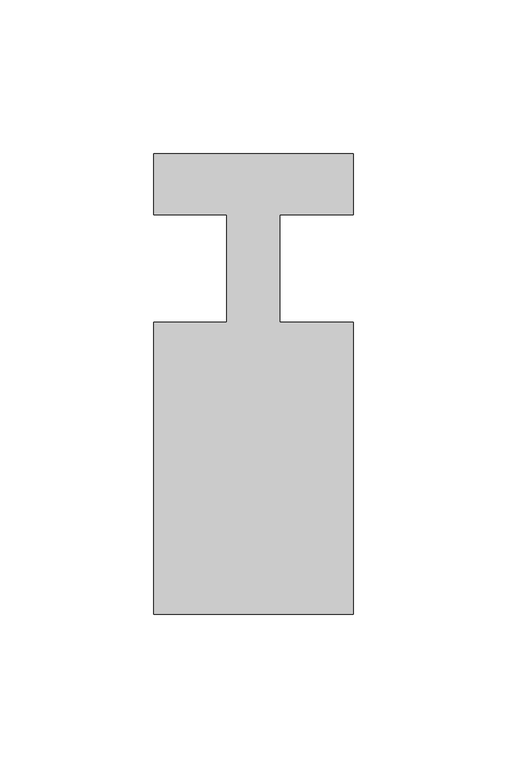
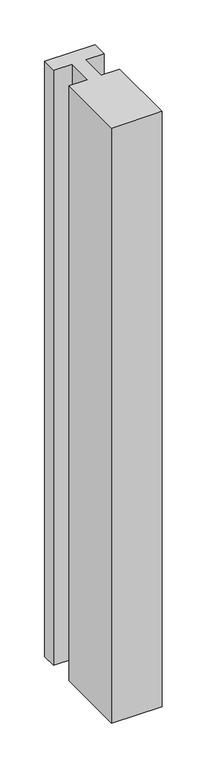
"""IFC4 building model written with IfcOpenShell, lengths in millimetres: member geometry."""

import ifcopenshell
import ifcopenshell.guid

model = None  # the IFC model being written
_history = None  # IfcOwnerHistory: only IFC2X3 demands one
_inside = {}  # id of a spatial element -> (the spatial element, [elements in it])
_under = {}  # id of a project, library or spatial element -> (it, [spatial elements below it])
_declared = {}  # id of a project -> (the project, [libraries it declares])
_typed = {}  # id of a type object -> (the type object, [elements of that type])
_made_of = {}  # id of a material, layer set ... -> (it, [elements and type objects made of it])


def new_model(schema):
    """Start an empty IFC model of exactly this schema.

    Asked for "IFC4X3", IfcOpenShell would pick the latest addendum, in which some entities
    have other attributes; the version numbers below select the first issue.
    IFC2X3 requires an IfcOwnerHistory on every rooted entity: one is made here for all.
    """
    global model, _history
    if schema == "IFC4X3":
        model = ifcopenshell.file(schema_version=(4, 3, 0, 0))
    else:
        model = ifcopenshell.file(schema=schema)
    _inside.clear()
    _under.clear()
    _declared.clear()
    _typed.clear()
    _made_of.clear()
    _history = None
    if model.schema == "IFC2X3":
        org = make("IfcOrganization", Name="unknown")
        user = make(
            "IfcPersonAndOrganization",
            ThePerson=make("IfcPerson", FamilyName="unknown"),
            TheOrganization=org,
        )
        app = make(
            "IfcApplication",
            ApplicationDeveloper=org,
            Version="unknown",
            ApplicationFullName="unknown",
            ApplicationIdentifier="unknown",
        )
        _history = make(
            "IfcOwnerHistory",
            OwningUser=user,
            OwningApplication=app,
            ChangeAction="ADDED",
            CreationDate=0,
        )
    return model


def make(cls, **values):
    """One entity of the class cls with the attributes given. An attribute that is None is left unset."""
    return model.create_entity(
        cls, **{name: value for name, value in values.items() if value is not None}
    )


def rooted(cls, **values):
    """An entity with a GlobalId (a new one), such as an element, a storey or a relation."""
    return make(cls, GlobalId=ifcopenshell.guid.new(), OwnerHistory=_history, **values)


def si_unit(unit_type, name, prefix=None):
    """IfcSIUnit, for example si_unit("LENGTHUNIT", "METRE", prefix="MILLI")."""
    return make("IfcSIUnit", UnitType=unit_type, Prefix=prefix, Name=name)


def assignment(units):
    """IfcUnitAssignment: the units of a project."""
    return None if units is None else make("IfcUnitAssignment", Units=units)


def point(xyz):
    """IfcCartesianPoint."""
    return None if xyz is None else make("IfcCartesianPoint", Coordinates=xyz)


def direction(xyz):
    """IfcDirection."""
    return None if xyz is None else make("IfcDirection", DirectionRatios=xyz)


def frame(location, z_axis=None, x_axis=None):
    """IfcAxis2Placement3D, a coordinate frame: its origin and axes. An axis left out is left unset."""
    return make(
        "IfcAxis2Placement3D",
        Location=point(location),
        Axis=direction(z_axis),
        RefDirection=direction(x_axis),
    )


def origin():
    """The frame at (0, 0, 0) with its axes left unset."""
    return frame((0.0, 0.0, 0.0))


def place(relative_to, where):
    """IfcLocalPlacement: puts the frame where relative to a parent placement (None: the world)."""
    return make(
        "IfcLocalPlacement", PlacementRelTo=relative_to, RelativePlacement=where
    )


def context(
    kind, dimensions, precision=None, world=None, true_north=None, identifier=None
):
    """IfcGeometricRepresentationContext, for example the 3D "Model" context."""
    return make(
        "IfcGeometricRepresentationContext",
        ContextIdentifier=identifier,
        ContextType=kind,
        CoordinateSpaceDimension=dimensions,
        Precision=precision,
        WorldCoordinateSystem=world,
        TrueNorth=true_north,
    )


def project(units=None, contexts=None):
    """IfcProject with its units and contexts."""
    return rooted(
        "IfcProject",
        Name="project",
        RepresentationContexts=contexts,
        UnitsInContext=assignment(units),
    )


def spatial(cls, under=None, at=None, **own):
    """A site, building, storey or space (cls), placed at a placement, below another one or the project."""
    s = rooted(cls, ObjectPlacement=at, **own)
    if under is not None:
        _under.setdefault(under.id(), (under, []))[1].append(s)
    return s


def polyline(points):
    """IfcPolyline through the points."""
    return make("IfcPolyline", Points=[point(p) for p in points])


def outline(outer, holes=None, kind="AREA"):
    """IfcArbitraryClosedProfileDef: a profile drawn as a closed curve; with holes, ...WithVoids."""
    if holes is None:
        return make("IfcArbitraryClosedProfileDef", ProfileType=kind, OuterCurve=outer)
    return make(
        "IfcArbitraryProfileDefWithVoids",
        ProfileType=kind,
        OuterCurve=outer,
        InnerCurves=holes,
    )


def extrude(swept, where, along, depth):
    """IfcExtrudedAreaSolid: the profile swept, set in the frame where, extruded along a direction by depth."""
    return make(
        "IfcExtrudedAreaSolid",
        SweptArea=swept,
        Position=where,
        ExtrudedDirection=direction(along),
        Depth=depth,
    )


def shape(context_of_items, identifier, shape_type, items):
    """IfcShapeRepresentation: the items that make up one representation, for example the "Body"."""
    return make(
        "IfcShapeRepresentation",
        ContextOfItems=context_of_items,
        RepresentationIdentifier=identifier,
        RepresentationType=shape_type,
        Items=items,
    )


def source(mapping_origin, context_of_items, identifier, shape_type, items):
    """IfcRepresentationMap: a shape defined once, which mapped items show again and again."""
    return make(
        "IfcRepresentationMap",
        MappingOrigin=mapping_origin,
        MappedRepresentation=shape(context_of_items, identifier, shape_type, items),
    )


def transform(
    local_origin,
    x_axis=None,
    y_axis=None,
    z_axis=None,
    scale=None,
    scale2=None,
    scale3=None,
    uniform=True,
):
    """IfcCartesianTransformationOperator3D, or its non-uniform kind. x_axis, y_axis, z_axis: its Axis1, 2, 3."""
    if uniform:
        return make(
            "IfcCartesianTransformationOperator3D",
            Axis1=direction(x_axis),
            Axis2=direction(y_axis),
            LocalOrigin=point(local_origin),
            Scale=scale,
            Axis3=direction(z_axis),
        )
    return make(
        "IfcCartesianTransformationOperator3DnonUniform",
        Axis1=direction(x_axis),
        Axis2=direction(y_axis),
        LocalOrigin=point(local_origin),
        Scale=scale,
        Axis3=direction(z_axis),
        Scale2=scale2,
        Scale3=scale3,
    )


def mapped(mapping_source, mapping_target):
    """IfcMappedItem: shows the shape of a source again, moved by a transform."""
    return make(
        "IfcMappedItem", MappingSource=mapping_source, MappingTarget=mapping_target
    )


def made_of(thing, what):
    """Note that an element or type object is made of a material, layer set ...; save() writes the relation."""
    if what is not None:
        _made_of.setdefault(what.id(), (what, []))[1].append(thing)
    return thing


def element(
    cls,
    number,
    at=None,
    inside=None,
    cuts=None,
    type_object=None,
    material=None,
    context=None,
    identifier="Body",
    shape_type=None,
    held_by="IfcProductDefinitionShape",
    body=None,
    shapes=None,
    **own,
):
    """One element of the class cls, such as IfcWall. Its Tag is "e" and its number.

    at: its placement. inside: the storey or other place that contains it. cuts: it is an
    opening in that element (IfcRelVoidsElement). A single representation is given by context,
    identifier, shape_type and body (its items); several are given by shapes. held_by: the class
    of the entity that holds the representations. save() writes the other relations.
    """
    e = rooted(cls, Tag="e%d" % number, ObjectPlacement=at, **own)
    if body is not None:
        shapes = [shape(context, identifier, shape_type, body)]
    if shapes is not None:
        e.Representation = make(held_by, Representations=shapes)
    if inside is not None:
        _inside.setdefault(inside.id(), (inside, []))[1].append(e)
    if cuts is not None:
        rooted(
            "IfcRelVoidsElement", RelatingBuildingElement=cuts, RelatedOpeningElement=e
        )
    if type_object is not None:
        _typed.setdefault(type_object.id(), (type_object, []))[1].append(e)
    return made_of(e, material)


def aggregate(whole, parts):
    """IfcRelAggregates: a whole, such as a stair, and the parts it consists of."""
    return rooted("IfcRelAggregates", RelatingObject=whole, RelatedObjects=parts)


def save(model, path):
    """Write the relations noted so far, then the file.

    IfcRelAggregates (storeys below a building ...), IfcRelContainedInSpatialStructure (elements
    in a storey), IfcRelDefinesByType, IfcRelAssociatesMaterial and IfcRelDeclares: one each for
    every whole, place, type object, material and project.
    """
    for whole, parts in _under.values():
        aggregate(whole, parts)
    for where, things in _inside.values():
        rooted(
            "IfcRelContainedInSpatialStructure",
            RelatedElements=things,
            RelatingStructure=where,
        )
    for kind, things in _typed.values():
        rooted("IfcRelDefinesByType", RelatedObjects=things, RelatingType=kind)
    for what, things in _made_of.values():
        rooted("IfcRelAssociatesMaterial", RelatedObjects=things, RelatingMaterial=what)
    for by, libraries in _declared.values():
        rooted("IfcRelDeclares", RelatingContext=by, RelatedDefinitions=libraries)
    model.write(path)


def member_1440a356(model_context):
    return source(origin(), model_context, "Body", "SweptSolid", [
        extrude(outline(polyline([(0.0, 37.0), (0.0, 17.0), (-23.8125, 17.0), (-23.8125, -18.0), (0.0, -18.0), (0.0, -113.0), (-65.0, -113.0), (-65.0, -18.0), (-41.1875, -18.0), (-41.1875, 17.0), (-65.0, 17.0), (-65.0, 37.0), (0.0, 37.0)])), frame((0.0, 0.0, -811.5651835), z_axis=(0.0, 0.0, 1.0), x_axis=(1.0, 0.0, 0.0)), (0.0, 0.0, 1.0), 811.5651835),
    ])


if __name__ == "__main__":
    model = new_model("IFC4")
    model_context = context("Model", 3, world=origin())
    ifc_project = project(units=[si_unit("LENGTHUNIT", "METRE", prefix="MILLI")], contexts=[model_context])
    site = spatial("IfcSite", under=ifc_project)
    building = spatial("IfcBuilding", under=site)
    placement = place(None, origin())
    member_shape = member_1440a356(model_context)
    element("IfcMember", 1, at=placement, inside=building, context=model_context, shape_type="MappedRepresentation", body=[
        mapped(member_shape, transform((0.0, 0.0, 0.0), x_axis=(1.0, 0.0, 0.0), y_axis=(0.0, 1.0, 0.0), z_axis=(0.0, 0.0, 1.0))),
    ])
    save(model, "model.ifc")
